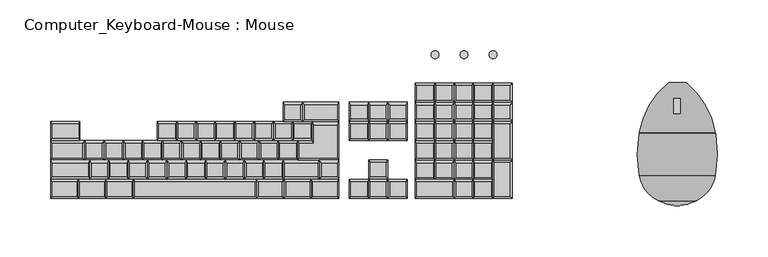
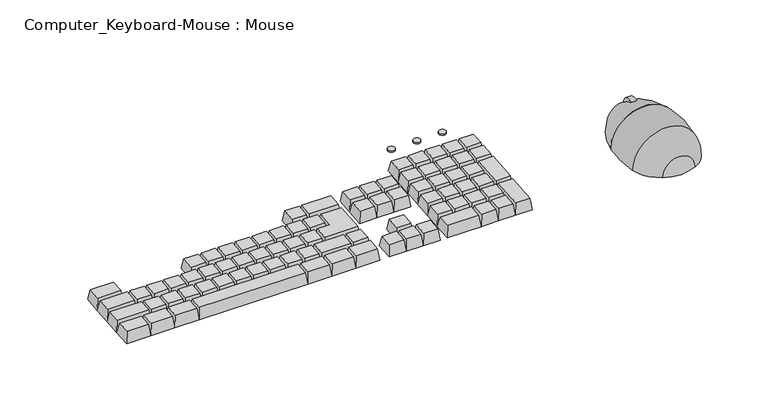
"""IFC4 building model written with IfcOpenShell, lengths in millimetres: proxy geometry, Computer_Keyboard-Mouse : Mouse."""

from ifc_helpers import new_model, si_unit, point, frame, frame_2d, origin, place, context, project, spatial, circle_curve, ellipse_curve, trimmed, segment, composite_curve, outline, extrude, faceted_brep, source, transform, mapped, element, save
from ifc_brep_helpers import plane_surface, cylinder_surface, revolved_surface, advanced_brep


def computer_keyboard_mouse_mouse_7a6b93e4(model_context):
    return source(origin(), model_context, "Body", "SolidModel", [
        extrude(outline(composite_curve([segment(trimmed(circle_curve(frame_2d((-212.4988718, 644.6717613)), 9.8184506), [point((-202.6804212, 644.6717613))], [point((-222.3173224, 644.6717613))], False, "CARTESIAN"), True, "CONTINUOUS"), segment(trimmed(circle_curve(frame_2d((-212.4988718, 644.6717613)), 9.8184506), [point((-222.3173224, 644.6717613))], [point((-202.6804212, 644.6717613))], False, "CARTESIAN"), True, "CONTINUOUS")], self_intersect=False)), frame((272.25625, 0.0, 0.0), z_axis=(1.0, 0.0, 0.0), x_axis=(0.0, 1.0, 0.0)), (0.0, 0.0, 1.0), 6.35),
        advanced_brep(
        [(275.5976834, -187.126648, 622.3), (284.2623719, -187.126648, 622.3), (313.0285853, -236.4708218, 622.3), (312.213601, -236.4708218, 622.3), (312.213601, -237.2808115, 622.3), (313.1647909, -237.2808115, 622.3), (313.0285853, -278.5926629, 622.3), (293.9985704, -303.7389416, 622.3), (275.5976834, -308.6694444, 622.3), (257.1967964, -303.7389416, 622.3), (238.1667815, -278.5926629, 622.3), (238.0305758, -237.2808115, 622.3), (238.9817658, -237.2808115, 622.3), (238.9817658, -236.4708218, 622.3), (238.1667815, -236.4708218, 622.3), (266.9329949, -187.126648, 622.3)],
        [
            (0, 1),
            (1, 2, circle_curve(frame((232.6802808, -250.2545203, 622.3), z_axis=(0.0, 0.0, -1.0), x_axis=(1.0, 0.0, 0.0)), 81.5220239)),
            (2, 3),
            (3, 4),
            (4, 5),
            (5, 6, circle_curve(frame((190.2597029, -257.5317424, 622.3), z_axis=(0.0, 0.0, -1.0), x_axis=(1.0, 0.0, 0.0)), 124.562277)),
            (6, 7, circle_curve(frame((279.2400514, -272.7962623, 622.3), z_axis=(0.0, 0.0, -1.0), x_axis=(1.0, 0.0, 0.0)), 34.2821132)),
            (7, 8, circle_curve(frame((271.496074, -256.5602558, 622.3), z_axis=(0.0, 0.0, -1.0), x_axis=(1.0, 0.0, 0.0)), 52.2703619)),
            (8, 0),
            (8, 9, circle_curve(frame((279.6992928, -256.5602558, 622.3), z_axis=(0.0, 0.0, -1.0), x_axis=(-1.0, 0.0, 0.0)), 52.2703619)),
            (9, 10, circle_curve(frame((271.9553154, -272.7962623, 622.3), z_axis=(0.0, 0.0, -1.0), x_axis=(-1.0, 0.0, 0.0)), 34.2821132)),
            (10, 11, circle_curve(frame((360.9356639, -257.5317424, 622.3), z_axis=(0.0, 0.0, -1.0), x_axis=(-1.0, 0.0, 0.0)), 124.562277)),
            (11, 12),
            (12, 13),
            (13, 14),
            (14, 15, circle_curve(frame((318.515086, -250.2545203, 622.3), z_axis=(0.0, 0.0, -1.0), x_axis=(-1.0, 0.0, 0.0)), 81.5220239)),
            (15, 0),
            (15, 1, circle_curve(frame((275.5976834, -187.126648, 622.3), z_axis=(0.0, 1.0, 0.0), x_axis=(1.0, 0.0, 0.0)), 8.6646885)),
            (14, 2, circle_curve(frame((275.5976834, -236.4708218, 622.3), z_axis=(0.0, 1.0, 0.0), x_axis=(1.0, 0.0, 0.0)), 37.4309019)),
            (13, 3, circle_curve(frame((275.5976834, -236.4708218, 622.3), z_axis=(0.0, 1.0, 0.0), x_axis=(1.0, 0.0, 0.0)), 36.6159176)),
            (12, 4, circle_curve(frame((275.5976834, -237.2808115, 622.3), z_axis=(0.0, 1.0, 0.0), x_axis=(1.0, 0.0, 0.0)), 36.6159176)),
            (11, 5, circle_curve(frame((275.5976834, -237.2808115, 622.3), z_axis=(0.0, 1.0, 0.0), x_axis=(1.0, 0.0, 0.0)), 37.5671075)),
            (10, 6, circle_curve(frame((275.5976834, -278.5926629, 622.3), z_axis=(0.0, 1.0, 0.0), x_axis=(1.0, 0.0, 0.0)), 37.4309019)),
            (9, 7, circle_curve(frame((275.5976834, -303.7389416, 622.3), z_axis=(0.0, 1.0, 0.0), x_axis=(1.0, 0.0, 0.0)), 18.400887)),
        ],
        [
            plane_surface(frame((275.5976834, -187.126648, 622.3), z_axis=(0.0, 0.0, -1.0), x_axis=(1.0, 0.0, 0.0))),
            plane_surface(frame((275.5976834, -187.126648, 622.3), z_axis=(0.0, 0.0, -1.0), x_axis=(-1.0, 0.0, 0.0))),
            plane_surface(frame((275.5976834, -187.126648, 622.3), z_axis=(0.0, 1.0, 0.0), x_axis=(1.0, 0.0, 0.0))),
            revolved_surface(trimmed(ellipse_curve(frame((232.6802808, -250.2545203, 622.3), z_axis=(0.0, 0.0, 1.0), x_axis=(1.0, 0.0, 0.0)), 81.5220239, 81.5220239), [point((313.0285853, -236.4708218, 622.3))], [point((284.2623719, -187.126648, 622.3))], True, "CARTESIAN"), (275.5976834, -187.126648, 622.3), (0.0, 1.0, 0.0)),
            plane_surface(frame((275.5976834, -236.4708218, 622.3), z_axis=(0.0, -1.0, 0.0), x_axis=(1.0, 0.0, 0.0))),
            cylinder_surface(frame((275.5976834, -187.126648, 622.3), z_axis=(0.0, 1.0, 0.0), x_axis=(1.0, 0.0, 0.0)), 36.6159176),
            plane_surface(frame((275.5976834, -237.2808115, 622.3), z_axis=(0.0, 1.0, 0.0), x_axis=(1.0, 0.0, 0.0))),
            revolved_surface(trimmed(ellipse_curve(frame((190.2597029, -257.5317424, 622.3), z_axis=(0.0, 0.0, 1.0), x_axis=(1.0, 0.0, 0.0)), 124.562277, 124.562277), [point((313.0285853, -278.5926629, 622.3))], [point((313.1647909, -237.2808115, 622.3))], True, "CARTESIAN"), (275.5976834, -187.126648, 622.3), (0.0, 1.0, 0.0)),
            revolved_surface(trimmed(ellipse_curve(frame((279.2400514, -272.7962623, 622.3), z_axis=(0.0, 0.0, 1.0), x_axis=(1.0, 0.0, 0.0)), 34.2821132, 34.2821132), [point((293.9985704, -303.7389416, 622.3))], [point((313.0285853, -278.5926629, 622.3))], True, "CARTESIAN"), (275.5976834, -187.126648, 622.3), (0.0, 1.0, 0.0)),
            revolved_surface(trimmed(ellipse_curve(frame((271.496074, -256.5602558, 622.3), z_axis=(0.0, 0.0, 1.0), x_axis=(1.0, 0.0, 0.0)), 52.2703619, 52.2703619), [point((275.5976834, -308.6694444, 622.3))], [point((293.9985704, -303.7389416, 622.3))], True, "CARTESIAN"), (275.5976834, -187.126648, 622.3), (0.0, 1.0, 0.0)),
        ],
        [
            (0, [[1, 2, 3, 4, 5, 6, 7, 8, 9]]),
            (1, [[10, 11, 12, 13, 14, 15, 16, 17, -9]]),
            (2, [[18, -1, -17]]),
            (3, [[19, -2, -18, -16]]),
            (4, [[20, -3, -19, -15]]),
            (5, [[21, -4, -20, -14]]),
            (6, [[22, -5, -21, -13]]),
            (7, [[23, -6, -22, -12]]),
            (8, [[24, -7, -23, -11]]),
            (9, [[-8, -24, -10]]),
        ],
    ),
        extrude(outline(composite_curve([segment(trimmed(circle_curve(frame_2d((37.1569804, -159.4975836)), 3.8756585), [point((33.2813219, -159.4975836))], [point((41.032639, -159.4975836))], False, "CARTESIAN"), True, "CONTINUOUS"), segment(trimmed(circle_curve(frame_2d((37.1569804, -159.4975836)), 3.8756585), [point((41.032639, -159.4975836))], [point((33.2813219, -159.4975836))], False, "CARTESIAN"), True, "CONTINUOUS")], self_intersect=False)), frame((0.0, 0.0, 644.4834713), z_axis=(0.0, 0.0, 1.0), x_axis=(1.0, 0.0, 0.0)), (0.0, 0.0, 1.0), 1.5875),
        extrude(outline(composite_curve([segment(trimmed(circle_curve(frame_2d((65.7319804, -159.4975836)), 3.8756585), [point((61.8563219, -159.4975836))], [point((69.607639, -159.4975836))], False, "CARTESIAN"), True, "CONTINUOUS"), segment(trimmed(circle_curve(frame_2d((65.7319804, -159.4975836)), 3.8756585), [point((69.607639, -159.4975836))], [point((61.8563219, -159.4975836))], False, "CARTESIAN"), True, "CONTINUOUS")], self_intersect=False)), frame((0.0, 0.0, 644.4834713), z_axis=(0.0, 0.0, 1.0), x_axis=(1.0, 0.0, 0.0)), (0.0, 0.0, 1.0), 1.5875),
        extrude(outline(composite_curve([segment(trimmed(circle_curve(frame_2d((94.3069804, -159.4975836)), 3.8756585), [point((90.4313219, -159.4975836))], [point((98.182639, -159.4975836))], False, "CARTESIAN"), True, "CONTINUOUS"), segment(trimmed(circle_curve(frame_2d((94.3069804, -159.4975836)), 3.8756585), [point((98.182639, -159.4975836))], [point((90.4313219, -159.4975836))], False, "CARTESIAN"), True, "CONTINUOUS")], self_intersect=False)), frame((0.0, 0.0, 644.4834713), z_axis=(0.0, 0.0, 1.0), x_axis=(1.0, 0.0, 0.0)), (0.0, 0.0, 1.0), 1.5875),
        faceted_brep([(-140.1341471, -284.9893587, 647.5012993), (-258.2572246, -284.9893587, 647.5012993), (-258.2572246, -299.2224904, 646.2560617), (-140.1341471, -299.2224904, 646.2560617), (-138.4529456, -282.3010217, 634.9879864), (-138.4529456, -301.2785307, 633.3276695), (-259.854517, -301.2785307, 633.3276695), (-259.854517, -282.3010217, 634.9879864)], [[[0, 1, 2, 3]], [[4, 5, 6, 7]], [[4, 7, 1, 0]], [[7, 6, 2, 1]], [[6, 5, 3, 2]], [[5, 4, 0, 3]]]),
        faceted_brep([(-261.442017, -284.9893587, 647.5012993), (-285.254517, -284.9893587, 647.5012993), (-285.254517, -299.2224904, 646.2560617), (-261.442017, -299.2224904, 646.2560617), (-259.854517, -282.3010217, 634.9879864), (-259.854517, -301.2785307, 633.3276695), (-286.8518093, -301.2785307, 633.3276695), (-286.8518093, -282.3010217, 634.9879864)], [[[0, 1, 2, 3]], [[4, 5, 6, 7]], [[4, 7, 1, 0]], [[7, 6, 2, 1]], [[6, 5, 3, 2]], [[5, 4, 0, 3]]]),
        faceted_brep([(-288.4393093, -284.9893587, 647.5012993), (-312.2518093, -284.9893587, 647.5012993), (-312.2518093, -299.2224904, 646.2560617), (-288.4393093, -299.2224904, 646.2560617), (-286.8518093, -282.3010217, 634.9879864), (-286.8518093, -301.2785307, 633.3276695), (-313.8491017, -301.2785307, 633.3276695), (-313.8491017, -282.3010217, 634.9879864)], [[[0, 1, 2, 3]], [[4, 5, 6, 7]], [[4, 7, 1, 0]], [[7, 6, 2, 1]], [[6, 5, 3, 2]], [[5, 4, 0, 3]]]),
        faceted_brep([(-315.4366017, -284.9893587, 647.5012993), (-339.2491017, -284.9893587, 647.5012993), (-339.2491017, -299.2224904, 646.2560617), (-315.4366017, -299.2224904, 646.2560617), (-313.8491017, -282.3010217, 634.9879864), (-313.8491017, -301.2785307, 633.3276695), (-340.8463941, -301.2785307, 633.3276695), (-340.8463941, -282.3010217, 634.9879864)], [[[0, 1, 2, 3]], [[4, 5, 6, 7]], [[4, 7, 1, 0]], [[7, 6, 2, 1]], [[6, 5, 3, 2]], [[5, 4, 0, 3]]]),
        faceted_brep([(-113.0597288, -284.9893587, 647.5012993), (-136.8722288, -284.9893587, 647.5012993), (-136.8722288, -299.2224904, 646.2560617), (-113.0597288, -299.2224904, 646.2560617), (-111.4722288, -282.3010217, 634.9879864), (-111.4722288, -301.2785307, 633.3276695), (-138.4695212, -301.2785307, 633.3276695), (-138.4695212, -282.3010217, 634.9879864)], [[[0, 1, 2, 3]], [[4, 5, 6, 7]], [[4, 7, 1, 0]], [[7, 6, 2, 1]], [[6, 5, 3, 2]], [[5, 4, 0, 3]]]),
        faceted_brep([(-86.0624365, -284.9893587, 647.5012993), (-109.8749365, -284.9893587, 647.5012993), (-109.8749365, -299.2224904, 646.2560617), (-86.0624365, -299.2224904, 646.2560617), (-84.4749365, -282.3010217, 634.9879864), (-84.4749365, -301.2785307, 633.3276695), (-111.4722288, -301.2785307, 633.3276695), (-111.4722288, -282.3010217, 634.9879864)], [[[0, 1, 2, 3]], [[4, 5, 6, 7]], [[4, 7, 1, 0]], [[7, 6, 2, 1]], [[6, 5, 3, 2]], [[5, 4, 0, 3]]]),
        faceted_brep([(-59.0651441, -284.9893587, 647.5012993), (-82.8776441, -284.9893587, 647.5012993), (-82.8776441, -299.2224904, 646.2560617), (-59.0651441, -299.2224904, 646.2560617), (-57.4776441, -282.3010217, 634.9879864), (-57.4776441, -301.2785307, 633.3276695), (-84.4749365, -301.2785307, 633.3276695), (-84.4749365, -282.3010217, 634.9879864)], [[[0, 1, 2, 3]], [[4, 5, 6, 7]], [[4, 7, 1, 0]], [[7, 6, 2, 1]], [[6, 5, 3, 2]], [[5, 4, 0, 3]]]),
        faceted_brep([(111.4464125, -227.9780756, 652.4891403), (95.5714125, -227.9780756, 652.4891403), (95.5714125, -261.3049084, 649.5734202), (111.4464125, -261.3049084, 649.5734202), (113.0339125, -225.4059306, 639.9656619), (113.0339125, -263.3609486, 636.6450281), (93.9839125, -263.3609486, 636.6450281), (93.9839125, -225.4059306, 639.9656619)], [[[0, 1, 2, 3]], [[4, 5, 6, 7]], [[4, 7, 1, 0]], [[7, 6, 2, 1]], [[6, 5, 3, 2]], [[5, 4, 0, 3]]]),
        faceted_brep([(111.4464125, -265.9330936, 649.1685065), (95.5714125, -265.9330936, 649.1685065), (95.5714125, -299.2599264, 646.2527864), (111.4464125, -299.2599264, 646.2527864), (113.0339125, -263.3609486, 636.6450281), (113.0339125, -301.3159666, 633.3243943), (93.9839125, -301.3159666, 633.3243943), (93.9839125, -263.3609486, 636.6450281)], [[[0, 1, 2, 3]], [[4, 5, 6, 7]], [[4, 7, 1, 0]], [[7, 6, 2, 1]], [[6, 5, 3, 2]], [[5, 4, 0, 3]]]),
        faceted_brep([(92.3964125, -285.0267946, 647.4980241), (76.5214125, -285.0267946, 647.4980241), (76.5214125, -299.2599264, 646.2527864), (92.3964125, -299.2599264, 646.2527864), (93.9839125, -282.3384576, 634.9847112), (93.9839125, -301.3159666, 633.3243943), (74.9339125, -301.3159666, 633.3243943), (74.9339125, -282.3384576, 634.9847112)], [[[0, 1, 2, 3]], [[4, 5, 6, 7]], [[4, 7, 1, 0]], [[7, 6, 2, 1]], [[6, 5, 3, 2]], [[5, 4, 0, 3]]]),
        faceted_brep([(92.3964125, -266.0492856, 649.158341), (76.5214125, -266.0492856, 649.158341), (76.5214125, -280.2824174, 647.9131033), (92.3964125, -280.2824174, 647.9131033), (93.9839125, -263.3609486, 636.6450281), (93.9839125, -282.3384576, 634.9847112), (74.9339125, -282.3384576, 634.9847112), (74.9339125, -263.3609486, 636.6450281)], [[[0, 1, 2, 3]], [[4, 5, 6, 7]], [[4, 7, 1, 0]], [[7, 6, 2, 1]], [[6, 5, 3, 2]], [[5, 4, 0, 3]]]),
        faceted_brep([(73.3464125, -285.0267946, 647.4980241), (57.4714125, -285.0267946, 647.4980241), (57.4714125, -299.2599264, 646.2527864), (73.3464125, -299.2599264, 646.2527864), (74.9339125, -282.3384576, 634.9847112), (74.9339125, -301.3159666, 633.3243943), (55.8839125, -301.3159666, 633.3243943), (55.8839125, -282.3384576, 634.9847112)], [[[0, 1, 2, 3]], [[4, 5, 6, 7]], [[4, 7, 1, 0]], [[7, 6, 2, 1]], [[6, 5, 3, 2]], [[5, 4, 0, 3]]]),
        faceted_brep([(53.9897704, -285.0267946, 647.4980241), (19.3714125, -285.0267946, 647.4980241), (19.3714125, -299.2599264, 646.2527864), (53.9897704, -299.2599264, 646.2527864), (55.8839125, -282.3384576, 634.9847112), (55.8839125, -301.3159666, 633.3243943), (17.7839125, -301.3159666, 633.3243943), (17.7839125, -282.3384576, 634.9847112)], [[[0, 1, 2, 3]], [[4, 5, 6, 7]], [[4, 7, 1, 0]], [[7, 6, 2, 1]], [[6, 5, 3, 2]], [[5, 4, 0, 3]]]),
        faceted_brep([(73.3464125, -266.0492856, 649.158341), (57.4714125, -266.0492856, 649.158341), (57.4714125, -280.2824174, 647.9131033), (73.3464125, -280.2824174, 647.9131033), (74.9339125, -263.3609486, 636.6450281), (74.9339125, -282.3384576, 634.9847112), (55.8839125, -282.3384576, 634.9847112), (55.8839125, -263.3609486, 636.6450281)], [[[0, 1, 2, 3]], [[4, 5, 6, 7]], [[4, 7, 1, 0]], [[7, 6, 2, 1]], [[6, 5, 3, 2]], [[5, 4, 0, 3]]]),
        faceted_brep([(54.2964125, -266.0492856, 649.158341), (38.4214125, -266.0492856, 649.158341), (38.4214125, -280.2824174, 647.9131033), (54.2964125, -280.2824174, 647.9131033), (55.8839125, -263.3609486, 636.6450281), (55.8839125, -282.3384576, 634.9847112), (36.8339125, -282.3384576, 634.9847112), (36.8339125, -263.3609486, 636.6450281)], [[[0, 1, 2, 3]], [[4, 5, 6, 7]], [[4, 7, 1, 0]], [[7, 6, 2, 1]], [[6, 5, 3, 2]], [[5, 4, 0, 3]]]),
        faceted_brep([(35.2464125, -266.0492856, 649.158341), (19.3714125, -266.0492856, 649.158341), (19.3714125, -280.2824174, 647.9131033), (35.2464125, -280.2824174, 647.9131033), (36.8339125, -263.3609486, 636.6450281), (36.8339125, -282.3384576, 634.9847112), (17.7839125, -282.3384576, 634.9847112), (17.7839125, -263.3609486, 636.6450281)], [[[0, 1, 2, 3]], [[4, 5, 6, 7]], [[4, 7, 1, 0]], [[7, 6, 2, 1]], [[6, 5, 3, 2]], [[5, 4, 0, 3]]]),
        faceted_brep([(92.3964125, -247.0717766, 650.8186579), (76.5214125, -247.0717766, 650.8186579), (76.5214125, -261.3049084, 649.5734202), (92.3964125, -261.3049084, 649.5734202), (93.9839125, -244.3834396, 638.305345), (93.9839125, -263.3609486, 636.6450281), (74.9339125, -263.3609486, 636.6450281), (74.9339125, -244.3834396, 638.305345)], [[[0, 1, 2, 3]], [[4, 5, 6, 7]], [[4, 7, 1, 0]], [[7, 6, 2, 1]], [[6, 5, 3, 2]], [[5, 4, 0, 3]]]),
        faceted_brep([(92.3964125, -228.0942676, 652.4789748), (76.5214125, -228.0942676, 652.4789748), (76.5214125, -242.3273994, 651.2337371), (92.3964125, -242.3273994, 651.2337371), (93.9839125, -225.4059306, 639.9656619), (93.9839125, -244.3834396, 638.305345), (74.9339125, -244.3834396, 638.305345), (74.9339125, -225.4059306, 639.9656619)], [[[0, 1, 2, 3]], [[4, 5, 6, 7]], [[4, 7, 1, 0]], [[7, 6, 2, 1]], [[6, 5, 3, 2]], [[5, 4, 0, 3]]]),
        faceted_brep([(73.3464125, -247.0717766, 650.8186579), (57.4714125, -247.0717766, 650.8186579), (57.4714125, -261.3049084, 649.5734202), (73.3464125, -261.3049084, 649.5734202), (74.9339125, -244.3834396, 638.305345), (74.9339125, -263.3609486, 636.6450281), (55.8839125, -263.3609486, 636.6450281), (55.8839125, -244.3834396, 638.305345)], [[[0, 1, 2, 3]], [[4, 5, 6, 7]], [[4, 7, 1, 0]], [[7, 6, 2, 1]], [[6, 5, 3, 2]], [[5, 4, 0, 3]]]),
        faceted_brep([(54.2964125, -247.0717766, 650.8186579), (38.4214125, -247.0717766, 650.8186579), (38.4214125, -261.3049084, 649.5734202), (54.2964125, -261.3049084, 649.5734202), (55.8839125, -244.3834396, 638.305345), (55.8839125, -263.3609486, 636.6450281), (36.8339125, -263.3609486, 636.6450281), (36.8339125, -244.3834396, 638.305345)], [[[0, 1, 2, 3]], [[4, 5, 6, 7]], [[4, 7, 1, 0]], [[7, 6, 2, 1]], [[6, 5, 3, 2]], [[5, 4, 0, 3]]]),
        faceted_brep([(35.2464125, -247.0717766, 650.8186579), (19.3714125, -247.0717766, 650.8186579), (19.3714125, -261.3049084, 649.5734202), (35.2464125, -261.3049084, 649.5734202), (36.8339125, -244.3834396, 638.305345), (36.8339125, -263.3609486, 636.6450281), (17.7839125, -263.3609486, 636.6450281), (17.7839125, -244.3834396, 638.305345)], [[[0, 1, 2, 3]], [[4, 5, 6, 7]], [[4, 7, 1, 0]], [[7, 6, 2, 1]], [[6, 5, 3, 2]], [[5, 4, 0, 3]]]),
        faceted_brep([(73.3464125, -228.0942676, 652.4789748), (57.4714125, -228.0942676, 652.4789748), (57.4714125, -242.3273994, 651.2337371), (73.3464125, -242.3273994, 651.2337371), (74.9339125, -225.4059306, 639.9656619), (74.9339125, -244.3834396, 638.305345), (55.8839125, -244.3834396, 638.305345), (55.8839125, -225.4059306, 639.9656619)], [[[0, 1, 2, 3]], [[4, 5, 6, 7]], [[4, 7, 1, 0]], [[7, 6, 2, 1]], [[6, 5, 3, 2]], [[5, 4, 0, 3]]]),
        faceted_brep([(54.2964125, -228.0942676, 652.4789748), (38.4214125, -228.0942676, 652.4789748), (38.4214125, -242.3273994, 651.2337371), (54.2964125, -242.3273994, 651.2337371), (55.8839125, -225.4059306, 639.9656619), (55.8839125, -244.3834396, 638.305345), (36.8339125, -244.3834396, 638.305345), (36.8339125, -225.4059306, 639.9656619)], [[[0, 1, 2, 3]], [[4, 5, 6, 7]], [[4, 7, 1, 0]], [[7, 6, 2, 1]], [[6, 5, 3, 2]], [[5, 4, 0, 3]]]),
        faceted_brep([(35.2464125, -228.0942676, 652.4789748), (19.3714125, -228.0942676, 652.4789748), (19.3714125, -242.3273994, 651.2337371), (35.2464125, -242.3273994, 651.2337371), (36.8339125, -225.4059306, 639.9656619), (36.8339125, -244.3834396, 638.305345), (17.7839125, -244.3834396, 638.305345), (17.7839125, -225.4059306, 639.9656619)], [[[0, 1, 2, 3]], [[4, 5, 6, 7]], [[4, 7, 1, 0]], [[7, 6, 2, 1]], [[6, 5, 3, 2]], [[5, 4, 0, 3]]]),
        faceted_brep([(111.4464125, -208.9667211, 654.1524183), (95.5714125, -208.9667211, 654.1524183), (95.5714125, -223.1998529, 652.9071806), (111.4464125, -223.1998529, 652.9071806), (113.0339125, -206.2783841, 641.6391054), (113.0339125, -225.2558931, 639.9787885), (93.9839125, -225.2558931, 639.9787885), (93.9839125, -206.2783841, 641.6391054)], [[[0, 1, 2, 3]], [[4, 5, 6, 7]], [[4, 7, 1, 0]], [[7, 6, 2, 1]], [[6, 5, 3, 2]], [[5, 4, 0, 3]]]),
        faceted_brep([(92.3964125, -208.9667211, 654.1524183), (76.5214125, -208.9667211, 654.1524183), (76.5214125, -223.1998529, 652.9071806), (92.3964125, -223.1998529, 652.9071806), (93.9839125, -206.2783841, 641.6391054), (93.9839125, -225.2558931, 639.9787885), (74.9339125, -225.2558931, 639.9787885), (74.9339125, -206.2783841, 641.6391054)], [[[0, 1, 2, 3]], [[4, 5, 6, 7]], [[4, 7, 1, 0]], [[7, 6, 2, 1]], [[6, 5, 3, 2]], [[5, 4, 0, 3]]]),
        faceted_brep([(111.4464125, -189.9892121, 655.8127352), (95.5714125, -189.9892121, 655.8127352), (95.5714125, -204.2223439, 654.5674975), (111.4464125, -204.2223439, 654.5674975), (113.0339125, -187.3008751, 643.2994223), (113.0339125, -206.2783841, 641.6391054), (93.9839125, -206.2783841, 641.6391054), (93.9839125, -187.3008751, 643.2994223)], [[[0, 1, 2, 3]], [[4, 5, 6, 7]], [[4, 7, 1, 0]], [[7, 6, 2, 1]], [[6, 5, 3, 2]], [[5, 4, 0, 3]]]),
        faceted_brep([(92.3964125, -189.9892121, 655.8127352), (76.5214125, -189.9892121, 655.8127352), (76.5214125, -204.2223439, 654.5674975), (92.3964125, -204.2223439, 654.5674975), (93.9839125, -187.3008751, 643.2994223), (93.9839125, -206.2783841, 641.6391054), (74.9339125, -206.2783841, 641.6391054), (74.9339125, -187.3008751, 643.2994223)], [[[0, 1, 2, 3]], [[4, 5, 6, 7]], [[4, 7, 1, 0]], [[7, 6, 2, 1]], [[6, 5, 3, 2]], [[5, 4, 0, 3]]]),
        faceted_brep([(73.3464125, -208.9667211, 654.1524183), (57.4714125, -208.9667211, 654.1524183), (57.4714125, -223.1998529, 652.9071806), (73.3464125, -223.1998529, 652.9071806), (74.9339125, -206.2783841, 641.6391054), (74.9339125, -225.2558931, 639.9787885), (55.8839125, -225.2558931, 639.9787885), (55.8839125, -206.2783841, 641.6391054)], [[[0, 1, 2, 3]], [[4, 5, 6, 7]], [[4, 7, 1, 0]], [[7, 6, 2, 1]], [[6, 5, 3, 2]], [[5, 4, 0, 3]]]),
        faceted_brep([(54.2964125, -208.9667211, 654.1524183), (38.4214125, -208.9667211, 654.1524183), (38.4214125, -223.1998529, 652.9071806), (54.2964125, -223.1998529, 652.9071806), (55.8839125, -206.2783841, 641.6391054), (55.8839125, -225.2558931, 639.9787885), (36.8339125, -225.2558931, 639.9787885), (36.8339125, -206.2783841, 641.6391054)], [[[0, 1, 2, 3]], [[4, 5, 6, 7]], [[4, 7, 1, 0]], [[7, 6, 2, 1]], [[6, 5, 3, 2]], [[5, 4, 0, 3]]]),
        faceted_brep([(35.2464125, -208.9667211, 654.1524183), (19.3714125, -208.9667211, 654.1524183), (19.3714125, -223.1998529, 652.9071806), (35.2464125, -223.1998529, 652.9071806), (36.8339125, -206.2783841, 641.6391054), (36.8339125, -225.2558931, 639.9787885), (17.7839125, -225.2558931, 639.9787885), (17.7839125, -206.2783841, 641.6391054)], [[[0, 1, 2, 3]], [[4, 5, 6, 7]], [[4, 7, 1, 0]], [[7, 6, 2, 1]], [[6, 5, 3, 2]], [[5, 4, 0, 3]]]),
        faceted_brep([(73.3464125, -189.9892121, 655.8127352), (57.4714125, -189.9892121, 655.8127352), (57.4714125, -204.2223439, 654.5674975), (73.3464125, -204.2223439, 654.5674975), (74.9339125, -187.3008751, 643.2994223), (74.9339125, -206.2783841, 641.6391054), (55.8839125, -206.2783841, 641.6391054), (55.8839125, -187.3008751, 643.2994223)], [[[0, 1, 2, 3]], [[4, 5, 6, 7]], [[4, 7, 1, 0]], [[7, 6, 2, 1]], [[6, 5, 3, 2]], [[5, 4, 0, 3]]]),
        faceted_brep([(54.2964125, -189.9892121, 655.8127352), (38.4214125, -189.9892121, 655.8127352), (38.4214125, -204.2223439, 654.5674975), (54.2964125, -204.2223439, 654.5674975), (55.8839125, -187.3008751, 643.2994223), (55.8839125, -206.2783841, 641.6391054), (36.8339125, -206.2783841, 641.6391054), (36.8339125, -187.3008751, 643.2994223)], [[[0, 1, 2, 3]], [[4, 5, 6, 7]], [[4, 7, 1, 0]], [[7, 6, 2, 1]], [[6, 5, 3, 2]], [[5, 4, 0, 3]]]),
        faceted_brep([(35.2464125, -189.9892121, 655.8127352), (19.3714125, -189.9892121, 655.8127352), (19.3714125, -204.2223439, 654.5674975), (35.2464125, -204.2223439, 654.5674975), (36.8339125, -187.3008751, 643.2994223), (36.8339125, -206.2783841, 641.6391054), (17.7839125, -206.2783841, 641.6391054), (17.7839125, -187.3008751, 643.2994223)], [[[0, 1, 2, 3]], [[4, 5, 6, 7]], [[4, 7, 1, 0]], [[7, 6, 2, 1]], [[6, 5, 3, 2]], [[5, 4, 0, 3]]]),
        faceted_brep([(-10.686281, -265.9785265, 649.1645316), (-26.561281, -265.9785265, 649.1645316), (-26.561281, -280.2116583, 647.9192939), (-10.686281, -280.2116583, 647.9192939), (-9.098781, -263.2901895, 636.6512187), (-9.098781, -282.2676985, 634.9909018), (-28.148781, -282.2676985, 634.9909018), (-28.148781, -263.2901895, 636.6512187)], [[[0, 1, 2, 3]], [[4, 5, 6, 7]], [[4, 7, 1, 0]], [[7, 6, 2, 1]], [[6, 5, 3, 2]], [[5, 4, 0, 3]]]),
        faceted_brep([(8.363719, -284.9560355, 647.5042147), (-7.511281, -284.9560355, 647.5042147), (-7.511281, -299.1891673, 646.258977), (8.363719, -299.1891673, 646.258977), (9.951219, -282.2676985, 634.9909018), (9.951219, -301.2452075, 633.3305849), (-9.098781, -301.2452075, 633.3305849), (-9.098781, -282.2676985, 634.9909018)], [[[0, 1, 2, 3]], [[4, 5, 6, 7]], [[4, 7, 1, 0]], [[7, 6, 2, 1]], [[6, 5, 3, 2]], [[5, 4, 0, 3]]]),
        faceted_brep([(-10.686281, -284.9560355, 647.5042147), (-26.561281, -284.9560355, 647.5042147), (-26.561281, -299.1891673, 646.258977), (-10.686281, -299.1891673, 646.258977), (-9.098781, -282.2676985, 634.9909018), (-9.098781, -301.2452075, 633.3305849), (-28.148781, -301.2452075, 633.3305849), (-28.148781, -282.2676985, 634.9909018)], [[[0, 1, 2, 3]], [[4, 5, 6, 7]], [[4, 7, 1, 0]], [[7, 6, 2, 1]], [[6, 5, 3, 2]], [[5, 4, 0, 3]]]),
        faceted_brep([(-29.736281, -284.9560355, 647.5042147), (-45.611281, -284.9560355, 647.5042147), (-45.611281, -299.1891673, 646.258977), (-29.736281, -299.1891673, 646.258977), (-28.148781, -282.2676985, 634.9909018), (-28.148781, -301.2452075, 633.3305849), (-47.198781, -301.2452075, 633.3305849), (-47.198781, -282.2676985, 634.9909018)], [[[0, 1, 2, 3]], [[4, 5, 6, 7]], [[4, 7, 1, 0]], [[7, 6, 2, 1]], [[6, 5, 3, 2]], [[5, 4, 0, 3]]]),
        faceted_brep([(8.363719, -227.9246674, 652.4938129), (-7.511281, -227.9246674, 652.4938129), (-7.511281, -242.1577991, 651.2485752), (8.363719, -242.1577991, 651.2485752), (9.951219, -225.2363303, 639.9805), (9.951219, -244.2138393, 638.3201831), (-9.098781, -244.2138393, 638.3201831), (-9.098781, -225.2363303, 639.9805)], [[[0, 1, 2, 3]], [[4, 5, 6, 7]], [[4, 7, 1, 0]], [[7, 6, 2, 1]], [[6, 5, 3, 2]], [[5, 4, 0, 3]]]),
        faceted_brep([(-10.686281, -227.9246674, 652.4938129), (-26.561281, -227.9246674, 652.4938129), (-26.561281, -242.1577991, 651.2485752), (-10.686281, -242.1577991, 651.2485752), (-9.098781, -225.2363303, 639.9805), (-9.098781, -244.2138393, 638.3201831), (-28.148781, -244.2138393, 638.3201831), (-28.148781, -225.2363303, 639.9805)], [[[0, 1, 2, 3]], [[4, 5, 6, 7]], [[4, 7, 1, 0]], [[7, 6, 2, 1]], [[6, 5, 3, 2]], [[5, 4, 0, 3]]]),
        faceted_brep([(-29.736281, -227.9246674, 652.4938129), (-45.611281, -227.9246674, 652.4938129), (-45.611281, -242.1577991, 651.2485752), (-29.736281, -242.1577991, 651.2485752), (-28.148781, -225.2363303, 639.9805), (-28.148781, -244.2138393, 638.3201831), (-47.198781, -244.2138393, 638.3201831), (-47.198781, -225.2363303, 639.9805)], [[[0, 1, 2, 3]], [[4, 5, 6, 7]], [[4, 7, 1, 0]], [[7, 6, 2, 1]], [[6, 5, 3, 2]], [[5, 4, 0, 3]]]),
        faceted_brep([(8.363719, -208.9471584, 654.1541298), (-7.511281, -208.9471584, 654.1541298), (-7.511281, -223.1802901, 652.9088921), (8.363719, -223.1802901, 652.9088921), (9.951219, -206.2588213, 641.6408169), (9.951219, -225.2363303, 639.9805), (-9.098781, -225.2363303, 639.9805), (-9.098781, -206.2588213, 641.6408169)], [[[0, 1, 2, 3]], [[4, 5, 6, 7]], [[4, 7, 1, 0]], [[7, 6, 2, 1]], [[6, 5, 3, 2]], [[5, 4, 0, 3]]]),
        faceted_brep([(-10.686281, -208.9471584, 654.1541298), (-26.561281, -208.9471584, 654.1541298), (-26.561281, -223.1802901, 652.9088921), (-10.686281, -223.1802901, 652.9088921), (-9.098781, -206.2588213, 641.6408169), (-9.098781, -225.2363303, 639.9805), (-28.148781, -225.2363303, 639.9805), (-28.148781, -206.2588213, 641.6408169)], [[[0, 1, 2, 3]], [[4, 5, 6, 7]], [[4, 7, 1, 0]], [[7, 6, 2, 1]], [[6, 5, 3, 2]], [[5, 4, 0, 3]]]),
        faceted_brep([(-29.736281, -208.9471584, 654.1541298), (-45.611281, -208.9471584, 654.1541298), (-45.611281, -223.1802901, 652.9088921), (-29.736281, -223.1802901, 652.9088921), (-28.148781, -206.2588213, 641.6408169), (-28.148781, -225.2363303, 639.9805), (-47.198781, -225.2363303, 639.9805), (-47.198781, -206.2588213, 641.6408169)], [[[0, 1, 2, 3]], [[4, 5, 6, 7]], [[4, 7, 1, 0]], [[7, 6, 2, 1]], [[6, 5, 3, 2]], [[5, 4, 0, 3]]]),
        faceted_brep([(-59.0651441, -266.0118497, 649.1616162), (-74.9401441, -266.0118497, 649.1616162), (-74.9401441, -280.2449814, 647.9163786), (-59.0651441, -280.2449814, 647.9163786), (-57.4776441, -263.3235127, 636.6483033), (-57.4776441, -282.3010217, 634.9879864), (-76.5276441, -282.3010217, 634.9879864), (-76.5276441, -263.3235127, 636.6483033)], [[[0, 1, 2, 3]], [[4, 5, 6, 7]], [[4, 7, 1, 0]], [[7, 6, 2, 1]], [[6, 5, 3, 2]], [[5, 4, 0, 3]]]),
        faceted_brep([(-59.0651441, -209.0793227, 654.1425669), (-91.6088941, -209.0793227, 654.1425669), (-91.6088941, -223.3124544, 652.8973293), (-59.0651441, -223.3124544, 652.8973293), (-57.4776441, -206.3909857, 641.629254), (-57.4776441, -225.3684947, 639.9689371), (-93.1963941, -225.3684947, 639.9689371), (-93.1963941, -206.3909857, 641.629254)], [[[0, 1, 2, 3]], [[4, 5, 6, 7]], [[4, 7, 1, 0]], [[7, 6, 2, 1]], [[6, 5, 3, 2]], [[5, 4, 0, 3]]]),
        faceted_brep([(-94.7838941, -209.0793227, 654.1425669), (-110.6588941, -209.0793227, 654.1425669), (-110.6588941, -223.3124544, 652.8973293), (-94.7838941, -223.3124544, 652.8973293), (-93.1963941, -206.3909857, 641.629254), (-93.1963941, -225.3684947, 639.9689371), (-112.2463941, -225.3684947, 639.9689371), (-112.2463941, -206.3909857, 641.629254)], [[[0, 1, 2, 3]], [[4, 5, 6, 7]], [[4, 7, 1, 0]], [[7, 6, 2, 1]], [[6, 5, 3, 2]], [[5, 4, 0, 3]]]),
        faceted_brep([(-82.1635888, -247.0343407, 650.8219331), (-96.3841956, -247.0343407, 650.8219331), (-96.3841956, -261.2674724, 649.5766955), (-59.0779456, -261.2674724, 649.5766955), (-59.0779456, -229.278272, 652.3753878), (-82.1635888, -229.278272, 652.3753878), (-83.6713941, -244.3460037, 638.3086202), (-83.6713941, -225.3684947, 639.9689371), (-57.4776441, -225.3684947, 639.9689371), (-57.4776441, -263.3235127, 636.6483033), (-97.9716956, -263.3235127, 636.6483033), (-97.9716956, -244.3460037, 638.3086202)], [[[0, 1, 2, 3, 4, 5]], [[6, 7, 8, 9, 10, 11]], [[6, 11, 1, 0]], [[11, 10, 2, 1]], [[10, 9, 3, 2]], [[9, 8, 4, 3]], [[8, 7, 5, 4]], [[7, 6, 0, 5]]]),
        faceted_brep([(-78.2002042, -266.0118497, 649.1616162), (-110.6716956, -266.0118497, 649.1616162), (-110.6716956, -280.2449814, 647.9163786), (-78.2002042, -280.2449814, 647.9163786), (-76.5276441, -263.3235127, 636.6483033), (-76.5276441, -282.3010217, 634.9879864), (-112.2591956, -282.3010217, 634.9879864), (-112.2591956, -263.3235127, 636.6483033)], [[[0, 1, 2, 3]], [[4, 5, 6, 7]], [[4, 7, 1, 0]], [[7, 6, 2, 1]], [[6, 5, 3, 2]], [[5, 4, 0, 3]]]),
        faceted_brep([(-304.1779375, -266.0118497, 649.1616162), (-339.2588941, -266.0118497, 649.1616162), (-339.2588941, -280.2449814, 647.9163786), (-304.1779375, -280.2449814, 647.9163786), (-302.7463941, -263.3235127, 636.6483033), (-302.7463941, -282.3010217, 634.9879864), (-340.8463941, -282.3010217, 634.9879864), (-340.8463941, -263.3235127, 636.6483033)], [[[0, 1, 2, 3]], [[4, 5, 6, 7]], [[4, 7, 1, 0]], [[7, 6, 2, 1]], [[6, 5, 3, 2]], [[5, 4, 0, 3]]]),
        faceted_brep([(-309.2169816, -247.0343407, 650.8219331), (-339.2588941, -247.0343407, 650.8219331), (-339.2588941, -261.2674724, 649.5766955), (-309.2169816, -261.2674724, 649.5766955), (-307.581764, -244.3460037, 638.3086202), (-307.581764, -263.3235127, 636.6483033), (-340.8463941, -263.3235127, 636.6483033), (-340.8463941, -244.3460037, 638.3086202)], [[[0, 1, 2, 3]], [[4, 5, 6, 7]], [[4, 7, 1, 0]], [[7, 6, 2, 1]], [[6, 5, 3, 2]], [[5, 4, 0, 3]]]),
        faceted_brep([(-313.5827231, -228.0568317, 652.48225), (-339.2588941, -228.0568317, 652.48225), (-339.2588941, -242.2899634, 651.2370124), (-313.5827231, -242.2899634, 651.2370124), (-312.2713941, -225.3684947, 639.9689371), (-312.2713941, -244.3460037, 638.3086202), (-340.8463941, -244.3460037, 638.3086202), (-340.8463941, -225.3684947, 639.9689371)], [[[0, 1, 2, 3]], [[4, 5, 6, 7]], [[4, 7, 1, 0]], [[7, 6, 2, 1]], [[6, 5, 3, 2]], [[5, 4, 0, 3]]]),
        faceted_brep([(-113.8466956, -266.0118497, 649.1616162), (-129.7216956, -266.0118497, 649.1616162), (-129.7216956, -280.2449814, 647.9163786), (-113.8466956, -280.2449814, 647.9163786), (-112.2591956, -263.3235127, 636.6483033), (-112.2591956, -282.3010217, 634.9879864), (-131.3091956, -282.3010217, 634.9879864), (-131.3091956, -263.3235127, 636.6483033)], [[[0, 1, 2, 3]], [[4, 5, 6, 7]], [[4, 7, 1, 0]], [[7, 6, 2, 1]], [[6, 5, 3, 2]], [[5, 4, 0, 3]]]),
        faceted_brep([(-132.8966956, -266.0118497, 649.1616162), (-148.7716956, -266.0118497, 649.1616162), (-148.7716956, -280.2449814, 647.9163786), (-132.8966956, -280.2449814, 647.9163786), (-131.3091956, -263.3235127, 636.6483033), (-131.3091956, -282.3010217, 634.9879864), (-150.3591956, -282.3010217, 634.9879864), (-150.3591956, -263.3235127, 636.6483033)], [[[0, 1, 2, 3]], [[4, 5, 6, 7]], [[4, 7, 1, 0]], [[7, 6, 2, 1]], [[6, 5, 3, 2]], [[5, 4, 0, 3]]]),
        faceted_brep([(-151.9466956, -266.0118497, 649.1616162), (-167.8216956, -266.0118497, 649.1616162), (-167.8216956, -280.2449814, 647.9163786), (-151.9466956, -280.2449814, 647.9163786), (-150.3591956, -263.3235127, 636.6483033), (-150.3591956, -282.3010217, 634.9879864), (-169.4091956, -282.3010217, 634.9879864), (-169.4091956, -263.3235127, 636.6483033)], [[[0, 1, 2, 3]], [[4, 5, 6, 7]], [[4, 7, 1, 0]], [[7, 6, 2, 1]], [[6, 5, 3, 2]], [[5, 4, 0, 3]]]),
        faceted_brep([(-170.9966956, -266.0118497, 649.1616162), (-186.8716956, -266.0118497, 649.1616162), (-186.8716956, -280.2449814, 647.9163786), (-170.9966956, -280.2449814, 647.9163786), (-169.4091956, -263.3235127, 636.6483033), (-169.4091956, -282.3010217, 634.9879864), (-188.4591956, -282.3010217, 634.9879864), (-188.4591956, -263.3235127, 636.6483033)], [[[0, 1, 2, 3]], [[4, 5, 6, 7]], [[4, 7, 1, 0]], [[7, 6, 2, 1]], [[6, 5, 3, 2]], [[5, 4, 0, 3]]]),
        faceted_brep([(-190.0466956, -266.0118497, 649.1616162), (-205.9216956, -266.0118497, 649.1616162), (-205.9216956, -280.2449814, 647.9163786), (-190.0466956, -280.2449814, 647.9163786), (-188.4591956, -263.3235127, 636.6483033), (-188.4591956, -282.3010217, 634.9879864), (-207.5091956, -282.3010217, 634.9879864), (-207.5091956, -263.3235127, 636.6483033)], [[[0, 1, 2, 3]], [[4, 5, 6, 7]], [[4, 7, 1, 0]], [[7, 6, 2, 1]], [[6, 5, 3, 2]], [[5, 4, 0, 3]]]),
        faceted_brep([(-209.0966956, -266.0118497, 649.1616162), (-224.9716956, -266.0118497, 649.1616162), (-224.9716956, -280.2449814, 647.9163786), (-209.0966956, -280.2449814, 647.9163786), (-207.5091956, -263.3235127, 636.6483033), (-207.5091956, -282.3010217, 634.9879864), (-226.5591956, -282.3010217, 634.9879864), (-226.5591956, -263.3235127, 636.6483033)], [[[0, 1, 2, 3]], [[4, 5, 6, 7]], [[4, 7, 1, 0]], [[7, 6, 2, 1]], [[6, 5, 3, 2]], [[5, 4, 0, 3]]]),
        faceted_brep([(-228.1466956, -266.0118497, 649.1616162), (-244.0216956, -266.0118497, 649.1616162), (-244.0216956, -280.2449814, 647.9163786), (-228.1466956, -280.2449814, 647.9163786), (-226.5591956, -263.3235127, 636.6483033), (-226.5591956, -282.3010217, 634.9879864), (-245.6091956, -282.3010217, 634.9879864), (-245.6091956, -263.3235127, 636.6483033)], [[[0, 1, 2, 3]], [[4, 5, 6, 7]], [[4, 7, 1, 0]], [[7, 6, 2, 1]], [[6, 5, 3, 2]], [[5, 4, 0, 3]]]),
        faceted_brep([(-247.1966956, -266.0118497, 649.1616162), (-263.0716956, -266.0118497, 649.1616162), (-263.0716956, -280.2449814, 647.9163786), (-247.1966956, -280.2449814, 647.9163786), (-245.6091956, -263.3235127, 636.6483033), (-245.6091956, -282.3010217, 634.9879864), (-264.6591956, -282.3010217, 634.9879864), (-264.6591956, -263.3235127, 636.6483033)], [[[0, 1, 2, 3]], [[4, 5, 6, 7]], [[4, 7, 1, 0]], [[7, 6, 2, 1]], [[6, 5, 3, 2]], [[5, 4, 0, 3]]]),
        faceted_brep([(-266.2466956, -266.0118497, 649.1616162), (-282.1216956, -266.0118497, 649.1616162), (-282.1216956, -280.2449814, 647.9163786), (-266.2466956, -280.2449814, 647.9163786), (-264.6591956, -263.3235127, 636.6483033), (-264.6591956, -282.3010217, 634.9879864), (-283.7091956, -282.3010217, 634.9879864), (-283.7091956, -263.3235127, 636.6483033)], [[[0, 1, 2, 3]], [[4, 5, 6, 7]], [[4, 7, 1, 0]], [[7, 6, 2, 1]], [[6, 5, 3, 2]], [[5, 4, 0, 3]]]),
        faceted_brep([(-285.2966956, -266.0118497, 649.1616162), (-301.1716956, -266.0118497, 649.1616162), (-301.1716956, -280.2449814, 647.9163786), (-285.2966956, -280.2449814, 647.9163786), (-283.7091956, -263.3235127, 636.6483033), (-283.7091956, -282.3010217, 634.9879864), (-302.7591956, -282.3010217, 634.9879864), (-302.7591956, -263.3235127, 636.6483033)], [[[0, 1, 2, 3]], [[4, 5, 6, 7]], [[4, 7, 1, 0]], [[7, 6, 2, 1]], [[6, 5, 3, 2]], [[5, 4, 0, 3]]]),
        faceted_brep([(-99.5591956, -247.0343407, 650.8219331), (-115.4341956, -247.0343407, 650.8219331), (-115.4341956, -261.2674724, 649.5766955), (-99.5591956, -261.2674724, 649.5766955), (-97.9716956, -244.3460037, 638.3086202), (-97.9716956, -263.3235127, 636.6483033), (-117.0216956, -263.3235127, 636.6483033), (-117.0216956, -244.3460037, 638.3086202)], [[[0, 1, 2, 3]], [[4, 5, 6, 7]], [[4, 7, 1, 0]], [[7, 6, 2, 1]], [[6, 5, 3, 2]], [[5, 4, 0, 3]]]),
        faceted_brep([(-118.6091956, -247.0343407, 650.8219331), (-134.4841956, -247.0343407, 650.8219331), (-134.4841956, -261.2674724, 649.5766955), (-118.6091956, -261.2674724, 649.5766955), (-117.0216956, -244.3460037, 638.3086202), (-117.0216956, -263.3235127, 636.6483033), (-136.0716956, -263.3235127, 636.6483033), (-136.0716956, -244.3460037, 638.3086202)], [[[0, 1, 2, 3]], [[4, 5, 6, 7]], [[4, 7, 1, 0]], [[7, 6, 2, 1]], [[6, 5, 3, 2]], [[5, 4, 0, 3]]]),
        faceted_brep([(-137.6591956, -247.0343407, 650.8219331), (-153.5341956, -247.0343407, 650.8219331), (-153.5341956, -261.2674724, 649.5766955), (-137.6591956, -261.2674724, 649.5766955), (-136.0716956, -244.3460037, 638.3086202), (-136.0716956, -263.3235127, 636.6483033), (-155.1216956, -263.3235127, 636.6483033), (-155.1216956, -244.3460037, 638.3086202)], [[[0, 1, 2, 3]], [[4, 5, 6, 7]], [[4, 7, 1, 0]], [[7, 6, 2, 1]], [[6, 5, 3, 2]], [[5, 4, 0, 3]]]),
        faceted_brep([(-156.7091956, -247.0343407, 650.8219331), (-172.5841956, -247.0343407, 650.8219331), (-172.5841956, -261.2674724, 649.5766955), (-156.7091956, -261.2674724, 649.5766955), (-155.1216956, -244.3460037, 638.3086202), (-155.1216956, -263.3235127, 636.6483033), (-174.1716956, -263.3235127, 636.6483033), (-174.1716956, -244.3460037, 638.3086202)], [[[0, 1, 2, 3]], [[4, 5, 6, 7]], [[4, 7, 1, 0]], [[7, 6, 2, 1]], [[6, 5, 3, 2]], [[5, 4, 0, 3]]]),
        faceted_brep([(-175.7591956, -247.0343407, 650.8219331), (-191.6341956, -247.0343407, 650.8219331), (-191.6341956, -261.2674724, 649.5766955), (-175.7591956, -261.2674724, 649.5766955), (-174.1716956, -244.3460037, 638.3086202), (-174.1716956, -263.3235127, 636.6483033), (-193.2216956, -263.3235127, 636.6483033), (-193.2216956, -244.3460037, 638.3086202)], [[[0, 1, 2, 3]], [[4, 5, 6, 7]], [[4, 7, 1, 0]], [[7, 6, 2, 1]], [[6, 5, 3, 2]], [[5, 4, 0, 3]]]),
        faceted_brep([(-194.8091956, -247.0343407, 650.8219331), (-210.6841956, -247.0343407, 650.8219331), (-210.6841956, -261.2674724, 649.5766955), (-194.8091956, -261.2674724, 649.5766955), (-193.2216956, -244.3460037, 638.3086202), (-193.2216956, -263.3235127, 636.6483033), (-212.2716956, -263.3235127, 636.6483033), (-212.2716956, -244.3460037, 638.3086202)], [[[0, 1, 2, 3]], [[4, 5, 6, 7]], [[4, 7, 1, 0]], [[7, 6, 2, 1]], [[6, 5, 3, 2]], [[5, 4, 0, 3]]]),
        faceted_brep([(-213.8591956, -247.0343407, 650.8219331), (-229.7341956, -247.0343407, 650.8219331), (-229.7341956, -261.2674724, 649.5766955), (-213.8591956, -261.2674724, 649.5766955), (-212.2716956, -244.3460037, 638.3086202), (-212.2716956, -263.3235127, 636.6483033), (-231.3216956, -263.3235127, 636.6483033), (-231.3216956, -244.3460037, 638.3086202)], [[[0, 1, 2, 3]], [[4, 5, 6, 7]], [[4, 7, 1, 0]], [[7, 6, 2, 1]], [[6, 5, 3, 2]], [[5, 4, 0, 3]]]),
        faceted_brep([(-232.9091956, -247.0343407, 650.8219331), (-248.7841956, -247.0343407, 650.8219331), (-248.7841956, -261.2674724, 649.5766955), (-232.9091956, -261.2674724, 649.5766955), (-231.3216956, -244.3460037, 638.3086202), (-231.3216956, -263.3235127, 636.6483033), (-250.3716956, -263.3235127, 636.6483033), (-250.3716956, -244.3460037, 638.3086202)], [[[0, 1, 2, 3]], [[4, 5, 6, 7]], [[4, 7, 1, 0]], [[7, 6, 2, 1]], [[6, 5, 3, 2]], [[5, 4, 0, 3]]]),
        faceted_brep([(-251.9591956, -247.0343407, 650.8219331), (-267.8341956, -247.0343407, 650.8219331), (-267.8341956, -261.2674724, 649.5766955), (-251.9591956, -261.2674724, 649.5766955), (-250.3716956, -244.3460037, 638.3086202), (-250.3716956, -263.3235127, 636.6483033), (-269.4216956, -263.3235127, 636.6483033), (-269.4216956, -244.3460037, 638.3086202)], [[[0, 1, 2, 3]], [[4, 5, 6, 7]], [[4, 7, 1, 0]], [[7, 6, 2, 1]], [[6, 5, 3, 2]], [[5, 4, 0, 3]]]),
        faceted_brep([(-271.0091956, -247.0343407, 650.8219331), (-286.8841956, -247.0343407, 650.8219331), (-286.8841956, -261.2674724, 649.5766955), (-271.0091956, -261.2674724, 649.5766955), (-269.4216956, -244.3460037, 638.3086202), (-269.4216956, -263.3235127, 636.6483033), (-288.4716956, -263.3235127, 636.6483033), (-288.4716956, -244.3460037, 638.3086202)], [[[0, 1, 2, 3]], [[4, 5, 6, 7]], [[4, 7, 1, 0]], [[7, 6, 2, 1]], [[6, 5, 3, 2]], [[5, 4, 0, 3]]]),
        faceted_brep([(-290.0591956, -247.0343407, 650.8219331), (-305.9341956, -247.0343407, 650.8219331), (-305.9341956, -261.2674724, 649.5766955), (-290.0591956, -261.2674724, 649.5766955), (-288.4716956, -244.3460037, 638.3086202), (-288.4716956, -263.3235127, 636.6483033), (-307.5216956, -263.3235127, 636.6483033), (-307.5216956, -244.3460037, 638.3086202)], [[[0, 1, 2, 3]], [[4, 5, 6, 7]], [[4, 7, 1, 0]], [[7, 6, 2, 1]], [[6, 5, 3, 2]], [[5, 4, 0, 3]]]),
        faceted_brep([(-85.2588941, -228.0568317, 652.48225), (-101.1338941, -228.0568317, 652.48225), (-101.1338941, -242.2899634, 651.2370124), (-85.2588941, -242.2899634, 651.2370124), (-83.6713941, -225.3684947, 639.9689371), (-83.6713941, -244.3460037, 638.3086202), (-102.7213941, -244.3460037, 638.3086202), (-102.7213941, -225.3684947, 639.9689371)], [[[0, 1, 2, 3]], [[4, 5, 6, 7]], [[4, 7, 1, 0]], [[7, 6, 2, 1]], [[6, 5, 3, 2]], [[5, 4, 0, 3]]]),
        faceted_brep([(-104.3088941, -228.0568317, 652.48225), (-120.1838941, -228.0568317, 652.48225), (-120.1838941, -242.2899634, 651.2370124), (-104.3088941, -242.2899634, 651.2370124), (-102.7213941, -225.3684947, 639.9689371), (-102.7213941, -244.3460037, 638.3086202), (-121.7713941, -244.3460037, 638.3086202), (-121.7713941, -225.3684947, 639.9689371)], [[[0, 1, 2, 3]], [[4, 5, 6, 7]], [[4, 7, 1, 0]], [[7, 6, 2, 1]], [[6, 5, 3, 2]], [[5, 4, 0, 3]]]),
        faceted_brep([(-123.3588941, -228.0568317, 652.48225), (-139.2338941, -228.0568317, 652.48225), (-139.2338941, -242.2899634, 651.2370124), (-123.3588941, -242.2899634, 651.2370124), (-121.7713941, -225.3684947, 639.9689371), (-121.7713941, -244.3460037, 638.3086202), (-140.8213941, -244.3460037, 638.3086202), (-140.8213941, -225.3684947, 639.9689371)], [[[0, 1, 2, 3]], [[4, 5, 6, 7]], [[4, 7, 1, 0]], [[7, 6, 2, 1]], [[6, 5, 3, 2]], [[5, 4, 0, 3]]]),
        faceted_brep([(-142.4088941, -228.0568317, 652.48225), (-158.2838941, -228.0568317, 652.48225), (-158.2838941, -242.2899634, 651.2370124), (-142.4088941, -242.2899634, 651.2370124), (-140.8213941, -225.3684947, 639.9689371), (-140.8213941, -244.3460037, 638.3086202), (-159.8713941, -244.3460037, 638.3086202), (-159.8713941, -225.3684947, 639.9689371)], [[[0, 1, 2, 3]], [[4, 5, 6, 7]], [[4, 7, 1, 0]], [[7, 6, 2, 1]], [[6, 5, 3, 2]], [[5, 4, 0, 3]]]),
        faceted_brep([(-161.4588941, -228.0568317, 652.48225), (-177.3338941, -228.0568317, 652.48225), (-177.3338941, -242.2899634, 651.2370124), (-161.4588941, -242.2899634, 651.2370124), (-159.8713941, -225.3684947, 639.9689371), (-159.8713941, -244.3460037, 638.3086202), (-178.9213941, -244.3460037, 638.3086202), (-178.9213941, -225.3684947, 639.9689371)], [[[0, 1, 2, 3]], [[4, 5, 6, 7]], [[4, 7, 1, 0]], [[7, 6, 2, 1]], [[6, 5, 3, 2]], [[5, 4, 0, 3]]]),
        faceted_brep([(-180.5088941, -228.0568317, 652.48225), (-196.3838941, -228.0568317, 652.48225), (-196.3838941, -242.2899634, 651.2370124), (-180.5088941, -242.2899634, 651.2370124), (-178.9213941, -225.3684947, 639.9689371), (-178.9213941, -244.3460037, 638.3086202), (-197.9713941, -244.3460037, 638.3086202), (-197.9713941, -225.3684947, 639.9689371)], [[[0, 1, 2, 3]], [[4, 5, 6, 7]], [[4, 7, 1, 0]], [[7, 6, 2, 1]], [[6, 5, 3, 2]], [[5, 4, 0, 3]]]),
        faceted_brep([(-199.5588941, -228.0568317, 652.48225), (-215.4338941, -228.0568317, 652.48225), (-215.4338941, -242.2899634, 651.2370124), (-199.5588941, -242.2899634, 651.2370124), (-197.9713941, -225.3684947, 639.9689371), (-197.9713941, -244.3460037, 638.3086202), (-217.0213941, -244.3460037, 638.3086202), (-217.0213941, -225.3684947, 639.9689371)], [[[0, 1, 2, 3]], [[4, 5, 6, 7]], [[4, 7, 1, 0]], [[7, 6, 2, 1]], [[6, 5, 3, 2]], [[5, 4, 0, 3]]]),
        faceted_brep([(-218.6088941, -228.0568317, 652.48225), (-234.4838941, -228.0568317, 652.48225), (-234.4838941, -242.2899634, 651.2370124), (-218.6088941, -242.2899634, 651.2370124), (-217.0213941, -225.3684947, 639.9689371), (-217.0213941, -244.3460037, 638.3086202), (-236.0713941, -244.3460037, 638.3086202), (-236.0713941, -225.3684947, 639.9689371)], [[[0, 1, 2, 3]], [[4, 5, 6, 7]], [[4, 7, 1, 0]], [[7, 6, 2, 1]], [[6, 5, 3, 2]], [[5, 4, 0, 3]]]),
    ])


if __name__ == "__main__":
    model = new_model("IFC4")
    model_context = context("Model", 3, world=origin())
    ifc_project = project(units=[si_unit("LENGTHUNIT", "METRE", prefix="MILLI")], contexts=[model_context])
    site = spatial("IfcSite", under=ifc_project)
    building = spatial("IfcBuilding", under=site)
    placement = place(None, origin())
    computer_keyboard_mouse_mouse_shape = computer_keyboard_mouse_mouse_7a6b93e4(model_context)
    element("IfcBuildingElementProxy", 1, Name="Computer_Keyboard-Mouse : Mouse", ObjectType="Computer_Keyboard-Mouse : Mouse", at=placement, inside=building, context=model_context, shape_type="MappedRepresentation", body=[
        mapped(computer_keyboard_mouse_mouse_shape, transform((0.0, 0.0, 0.0), x_axis=(1.0, 0.0, 0.0), y_axis=(0.0, 1.0, 0.0), z_axis=(0.0, 0.0, 1.0))),
    ])
    save(model, "model.ifc")
